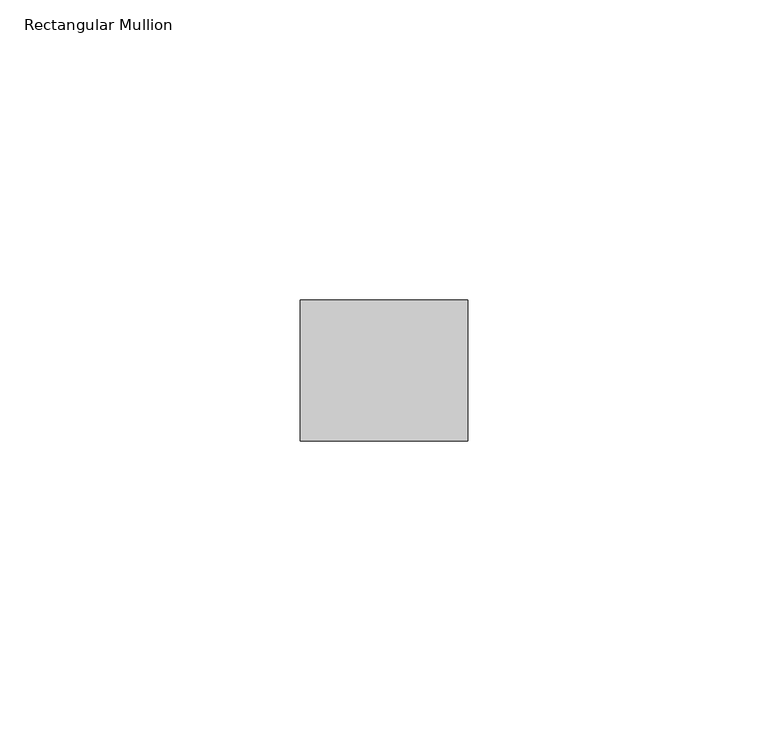
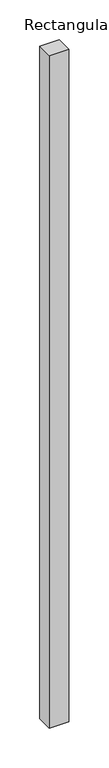
"""IFC4 building model written with IfcOpenShell, lengths in millimetres: member geometry, Rectangular Mullion."""

from ifc_helpers import new_model, si_unit, frame, origin, place, context, project, spatial, polyline, outline, extrude, source, transform, mapped, element, save


def rectangular_mullion_7c2f5dc6(model_context):
    return source(origin(), model_context, "Body", "SweptSolid", [
        extrude(outline(polyline([(0.0, -11.7474999), (-27.94, -11.7474999), (-27.94, 11.7474999), (0.0, 11.7474999), (0.0, -11.7474999)])), frame((0.0, 0.0, -1027.1612989), z_axis=(0.0, 0.0, 1.0), x_axis=(1.0, 0.0, 0.0)), (0.0, 0.0, 1.0), 1027.1612989),
    ])


if __name__ == "__main__":
    model = new_model("IFC4")
    model_context = context("Model", 3, world=origin())
    ifc_project = project(units=[si_unit("LENGTHUNIT", "METRE", prefix="MILLI")], contexts=[model_context])
    site = spatial("IfcSite", under=ifc_project)
    building = spatial("IfcBuilding", under=site)
    placement = place(None, origin())
    rectangular_mullion_shape = rectangular_mullion_7c2f5dc6(model_context)
    element("IfcMember", 1, ObjectType="Rectangular Mullion", at=placement, inside=building, context=model_context, shape_type="MappedRepresentation", body=[
        mapped(rectangular_mullion_shape, transform((0.0, 0.0, 0.0), x_axis=(1.0, 0.0, 0.0), y_axis=(0.0, 1.0, 0.0), z_axis=(0.0, 0.0, 1.0))),
    ])
    save(model, "model.ifc")
